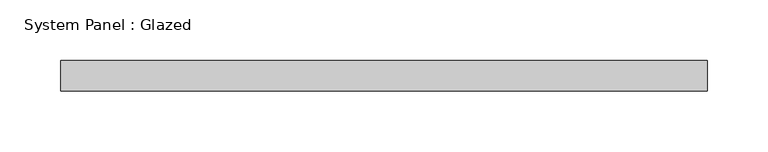
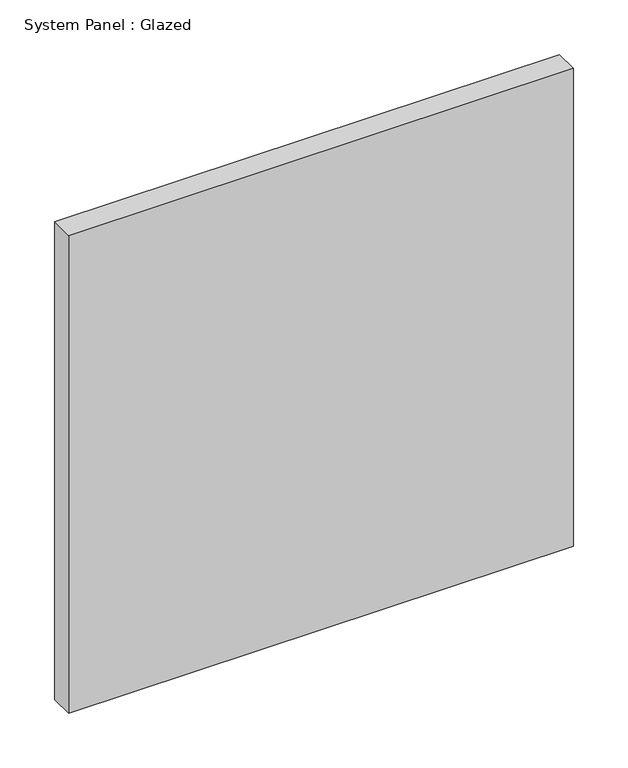
"""IFC4 building model written with IfcOpenShell, lengths in millimetres: plate geometry, System Panel : Glazed."""

from ifc_helpers import new_model, si_unit, origin, origin_with_axes, place, context, project, spatial, polyline, outline, extrude, source, transform, mapped, element, save


def system_panel_glazed_ff753e78(model_context):
    return source(origin(), model_context, "Body", "SweptSolid", [
        extrude(outline(polyline([(266.7, -12.7), (-266.7, -12.7), (-266.7, 12.7), (266.7, 12.7), (266.7, -12.7)])), origin_with_axes(), (0.0, 0.0, 1.0), 533.4),
    ])


if __name__ == "__main__":
    model = new_model("IFC4")
    model_context = context("Model", 3, world=origin())
    ifc_project = project(units=[si_unit("LENGTHUNIT", "METRE", prefix="MILLI")], contexts=[model_context])
    site = spatial("IfcSite", under=ifc_project)
    building = spatial("IfcBuilding", under=site)
    placement = place(None, origin())
    system_panel_glazed_shape = system_panel_glazed_ff753e78(model_context)
    element("IfcPlate", 1, ObjectType="System Panel : Glazed", at=placement, inside=building, context=model_context, shape_type="MappedRepresentation", body=[
        mapped(system_panel_glazed_shape, transform((0.0, 0.0, 0.0), x_axis=(1.0, 0.0, 0.0), y_axis=(0.0, 1.0, 0.0), z_axis=(0.0, 0.0, 1.0))),
    ])
    save(model, "model.ifc")
